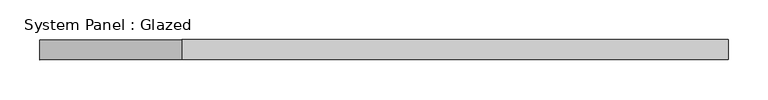
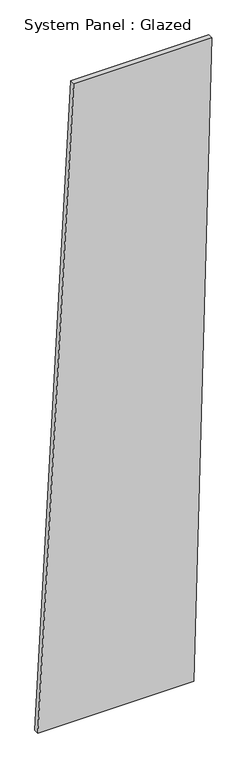
"""IFC4 building model written with IfcOpenShell, lengths in millimetres: plate geometry, System Panel : Glazed."""

from ifc_helpers import new_model, si_unit, frame, origin, place, context, project, spatial, polyline, outline, extrude, source, transform, mapped, element, save


def system_panel_glazed_c8beb2b8(model_context):
    return source(origin(), model_context, "Body", "SweptSolid", [
        extrude(outline(polyline([(0.0, -430.5888907), (0.0, 342.0095696), (3340.72648, 430.5888907), (3340.72648, -253.4302484), (0.0, -430.5888907)])), frame((0.0, -49.5, 0.0), z_axis=(0.0, 1.0, 0.0), x_axis=(0.0, 0.0, 1.0)), (0.0, 0.0, 1.0), 25.0),
    ])


if __name__ == "__main__":
    model = new_model("IFC4")
    model_context = context("Model", 3, world=origin())
    ifc_project = project(units=[si_unit("LENGTHUNIT", "METRE", prefix="MILLI")], contexts=[model_context])
    site = spatial("IfcSite", under=ifc_project)
    building = spatial("IfcBuilding", under=site)
    placement = place(None, origin())
    system_panel_glazed_shape = system_panel_glazed_c8beb2b8(model_context)
    element("IfcPlate", 1, ObjectType="System Panel : Glazed", at=placement, inside=building, context=model_context, shape_type="MappedRepresentation", body=[
        mapped(system_panel_glazed_shape, transform((0.0, 0.0, 0.0), x_axis=(1.0, 0.0, 0.0), y_axis=(0.0, 1.0, 0.0), z_axis=(0.0, 0.0, 1.0))),
    ])
    save(model, "model.ifc")
